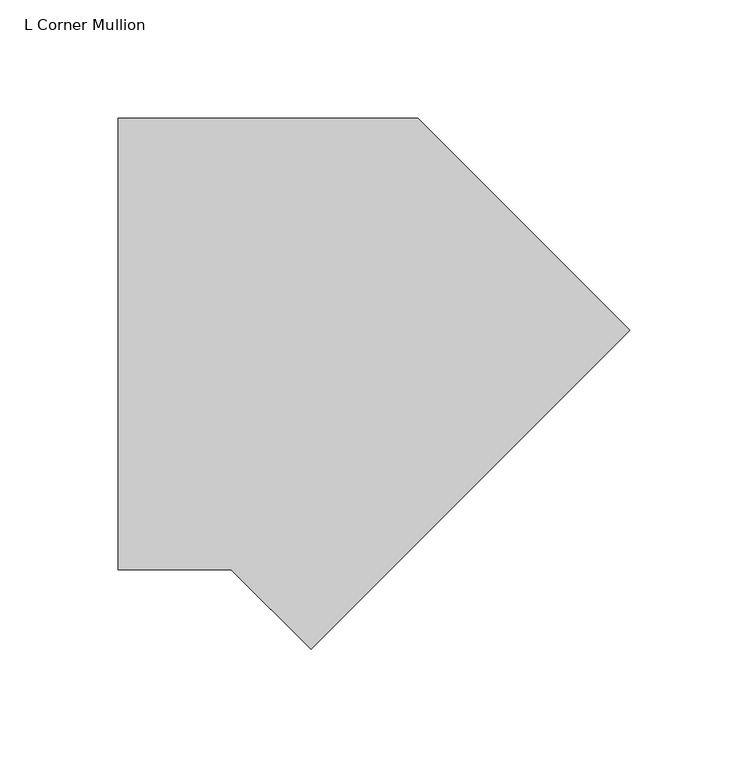
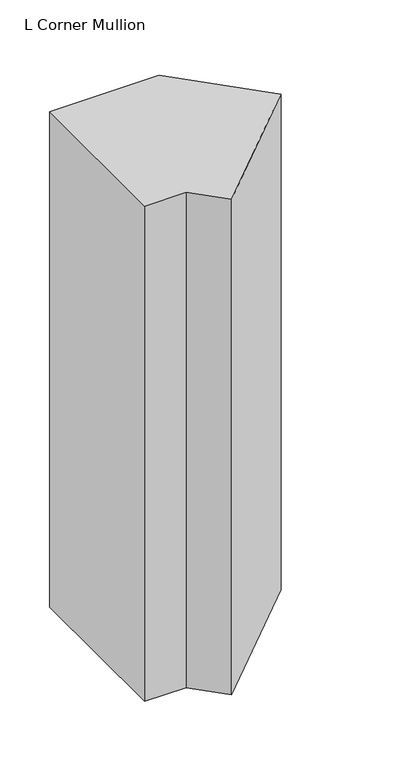
"""IFC4 building model written with IfcOpenShell, lengths in millimetres: member geometry, L Corner Mullion."""

from ifc_helpers import new_model, si_unit, frame, origin, place, context, project, spatial, polyline, outline, extrude, source, transform, mapped, element, save


def l_corner_mullion_70caff19(model_context):
    return source(origin(), model_context, "Body", "SweptSolid", [
        extrude(outline(polyline([(-29.4252817, -186.1008652), (-63.1261469, -152.4), (-110.7863676, -152.4), (-110.7863676, 38.1), (15.7815367, 38.1), (105.2785601, -51.3970234), (-29.4252817, -186.1008652)])), frame((0.0, 0.0, -606.4249623), z_axis=(0.0, 0.0, 1.0), x_axis=(1.0, 0.0, 0.0)), (0.0, 0.0, 1.0), 606.4249623),
    ])


if __name__ == "__main__":
    model = new_model("IFC4")
    model_context = context("Model", 3, world=origin())
    ifc_project = project(units=[si_unit("LENGTHUNIT", "METRE", prefix="MILLI")], contexts=[model_context])
    site = spatial("IfcSite", under=ifc_project)
    building = spatial("IfcBuilding", under=site)
    placement = place(None, origin())
    l_corner_mullion_shape = l_corner_mullion_70caff19(model_context)
    element("IfcMember", 1, ObjectType="L Corner Mullion", at=placement, inside=building, context=model_context, shape_type="MappedRepresentation", body=[
        mapped(l_corner_mullion_shape, transform((0.0, 0.0, 0.0), x_axis=(1.0, 0.0, 0.0), y_axis=(0.0, 1.0, 0.0), z_axis=(0.0, 0.0, 1.0))),
    ])
    save(model, "model.ifc")
